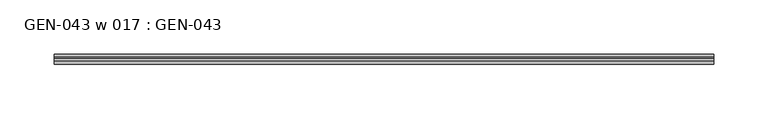
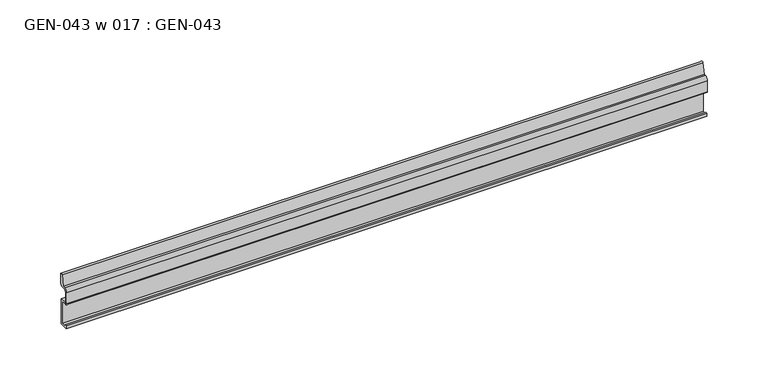
"""IFC4 building model written with IfcOpenShell, lengths in millimetres: proxy geometry, GEN-043 w 017 : GEN-043."""

from ifc_helpers import new_model, si_unit, point, frame, frame_2d, origin, place, context, project, spatial, polyline, circle_curve, trimmed, segment, composite_curve, outline, extrude, source, transform, mapped, element, save


def gen_043_w_017_gen_043_da711da1(model_context):
    return source(origin(), model_context, "Body", "SweptSolid", [
        extrude(outline(composite_curve([segment(polyline([(0.6518777, 0.0), (0.6518777, 3.175), (2.2393777, 3.175), (2.2393777, 1.5875), (7.0018777, 1.5875), (7.0018777, 23.8165844), (1.5875, 23.8165844)]), True, "CONTINUOUS"), segment(trimmed(circle_curve(frame_2d((1.5875, 25.4040844)), 1.5875), [point((1.5875, 23.8165844))], [point((0.0, 25.4040844))], False, "CARTESIAN"), True, "CONTINUOUS"), segment(polyline([(0.0, 25.4040844), (0.0, 36.5166704)]), True, "CONTINUOUS"), segment(trimmed(circle_curve(frame_2d((3.175, 36.5166704)), 3.175), [point((0.0, 36.5166704))], [point((3.175, 39.6916704))], False, "CARTESIAN"), True, "CONTINUOUS"), segment(polyline([(3.175, 39.6916704), (5.3948316, 39.6916704), (7.2036308, 50.2550574)]), True, "CONTINUOUS"), segment(trimmed(circle_curve(frame_2d((8.3323235, 49.0982159)), 1.6162393), [point((7.2036308, 50.2550574))], [point((9.525, 50.1889736))], False, "CARTESIAN"), True, "CONTINUOUS"), segment(polyline([(9.525, 50.1889736), (9.525, 41.2791704)]), True, "CONTINUOUS"), segment(trimmed(circle_curve(frame_2d((6.35, 41.2791704)), 3.175), [point((9.525, 41.2791704))], [point((6.35, 38.1041704))], False, "CARTESIAN"), True, "CONTINUOUS"), segment(polyline([(6.35, 38.1041704), (3.175, 38.1041704)]), True, "CONTINUOUS"), segment(trimmed(circle_curve(frame_2d((3.175, 36.5166704)), 1.5875), [point((3.175, 38.1041704))], [point((1.5875, 36.5166704))], True, "CARTESIAN"), True, "CONTINUOUS"), segment(polyline([(1.5875, 36.5166704), (1.5875, 33.2293816), (1.0783361, 32.6225838), (1.0783361, 30.7060817), (1.5875, 30.0543816), (1.5875, 26.1991044)]), True, "CONTINUOUS"), segment(trimmed(circle_curve(frame_2d((2.38252, 26.1991044)), 0.79502), [point((1.5875, 26.1991044))], [point((2.38252, 25.4040844))], True, "CARTESIAN"), True, "CONTINUOUS"), segment(polyline([(2.38252, 25.4040844), (8.5893777, 25.4040844), (8.5893777, 0.0), (0.6518777, 0.0)]), True, "CONTINUOUS")], self_intersect=False)), frame((0.0, 0.0, 0.0), z_axis=(1.0, 0.0, 0.0), x_axis=(0.0, 1.0, 0.0)), (0.0, 0.0, 1.0), 609.6),
    ])


if __name__ == "__main__":
    model = new_model("IFC4")
    model_context = context("Model", 3, world=origin())
    ifc_project = project(units=[si_unit("LENGTHUNIT", "METRE", prefix="MILLI")], contexts=[model_context])
    site = spatial("IfcSite", under=ifc_project)
    building = spatial("IfcBuilding", under=site)
    placement = place(None, origin())
    gen_043_w_017_gen_043_shape = gen_043_w_017_gen_043_da711da1(model_context)
    element("IfcBuildingElementProxy", 1, Name="GEN-043 w 017 : GEN-043", ObjectType="GEN-043 w 017 : GEN-043", at=placement, inside=building, context=model_context, shape_type="MappedRepresentation", body=[
        mapped(gen_043_w_017_gen_043_shape, transform((0.0, 0.0, 0.0), x_axis=(1.0, 0.0, 0.0), y_axis=(0.0, 1.0, 0.0), z_axis=(0.0, 0.0, 1.0))),
    ])
    save(model, "model.ifc")
